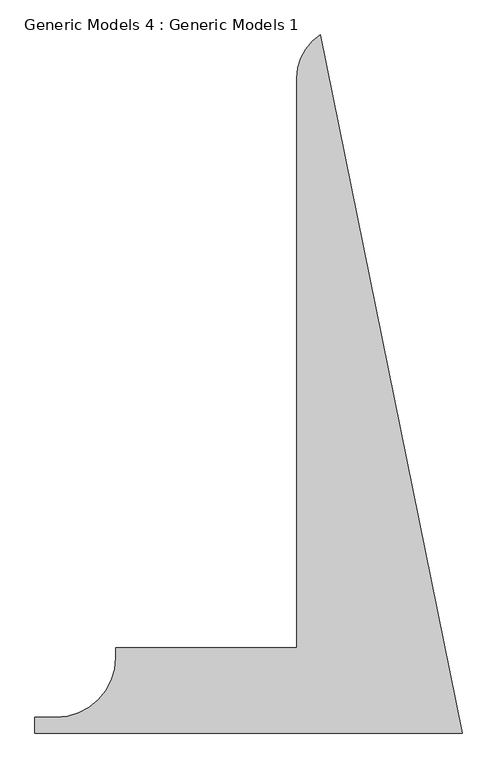
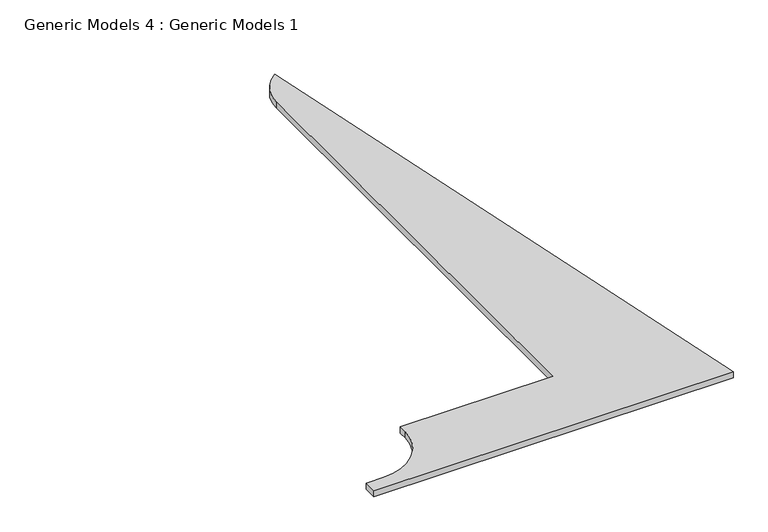
"""IFC4 building model written with IfcOpenShell, lengths in millimetres: proxy geometry, Generic Models 4 : Generic Models 1."""

import ifcopenshell
import ifcopenshell.guid

model = None  # the IFC model being written
_history = None  # IfcOwnerHistory: only IFC2X3 demands one
_inside = {}  # id of a spatial element -> (the spatial element, [elements in it])
_under = {}  # id of a project, library or spatial element -> (it, [spatial elements below it])
_declared = {}  # id of a project -> (the project, [libraries it declares])
_typed = {}  # id of a type object -> (the type object, [elements of that type])
_made_of = {}  # id of a material, layer set ... -> (it, [elements and type objects made of it])


def new_model(schema):
    """Start an empty IFC model of exactly this schema.

    Asked for "IFC4X3", IfcOpenShell would pick the latest addendum, in which some entities
    have other attributes; the version numbers below select the first issue.
    IFC2X3 requires an IfcOwnerHistory on every rooted entity: one is made here for all.
    """
    global model, _history
    if schema == "IFC4X3":
        model = ifcopenshell.file(schema_version=(4, 3, 0, 0))
    else:
        model = ifcopenshell.file(schema=schema)
    _inside.clear()
    _under.clear()
    _declared.clear()
    _typed.clear()
    _made_of.clear()
    _history = None
    if model.schema == "IFC2X3":
        org = make("IfcOrganization", Name="unknown")
        user = make(
            "IfcPersonAndOrganization",
            ThePerson=make("IfcPerson", FamilyName="unknown"),
            TheOrganization=org,
        )
        app = make(
            "IfcApplication",
            ApplicationDeveloper=org,
            Version="unknown",
            ApplicationFullName="unknown",
            ApplicationIdentifier="unknown",
        )
        _history = make(
            "IfcOwnerHistory",
            OwningUser=user,
            OwningApplication=app,
            ChangeAction="ADDED",
            CreationDate=0,
        )
    return model


def make(cls, **values):
    """One entity of the class cls with the attributes given. An attribute that is None is left unset."""
    return model.create_entity(
        cls, **{name: value for name, value in values.items() if value is not None}
    )


def rooted(cls, **values):
    """An entity with a GlobalId (a new one), such as an element, a storey or a relation."""
    return make(cls, GlobalId=ifcopenshell.guid.new(), OwnerHistory=_history, **values)


def si_unit(unit_type, name, prefix=None):
    """IfcSIUnit, for example si_unit("LENGTHUNIT", "METRE", prefix="MILLI")."""
    return make("IfcSIUnit", UnitType=unit_type, Prefix=prefix, Name=name)


def assignment(units):
    """IfcUnitAssignment: the units of a project."""
    return None if units is None else make("IfcUnitAssignment", Units=units)


def point(xyz):
    """IfcCartesianPoint."""
    return None if xyz is None else make("IfcCartesianPoint", Coordinates=xyz)


def direction(xyz):
    """IfcDirection."""
    return None if xyz is None else make("IfcDirection", DirectionRatios=xyz)


def frame(location, z_axis=None, x_axis=None):
    """IfcAxis2Placement3D, a coordinate frame: its origin and axes. An axis left out is left unset."""
    return make(
        "IfcAxis2Placement3D",
        Location=point(location),
        Axis=direction(z_axis),
        RefDirection=direction(x_axis),
    )


def origin():
    """The frame at (0, 0, 0) with its axes left unset."""
    return frame((0.0, 0.0, 0.0))


def place(relative_to, where):
    """IfcLocalPlacement: puts the frame where relative to a parent placement (None: the world)."""
    return make(
        "IfcLocalPlacement", PlacementRelTo=relative_to, RelativePlacement=where
    )


def context(
    kind, dimensions, precision=None, world=None, true_north=None, identifier=None
):
    """IfcGeometricRepresentationContext, for example the 3D "Model" context."""
    return make(
        "IfcGeometricRepresentationContext",
        ContextIdentifier=identifier,
        ContextType=kind,
        CoordinateSpaceDimension=dimensions,
        Precision=precision,
        WorldCoordinateSystem=world,
        TrueNorth=true_north,
    )


def project(units=None, contexts=None):
    """IfcProject with its units and contexts."""
    return rooted(
        "IfcProject",
        Name="project",
        RepresentationContexts=contexts,
        UnitsInContext=assignment(units),
    )


def spatial(cls, under=None, at=None, **own):
    """A site, building, storey or space (cls), placed at a placement, below another one or the project."""
    s = rooted(cls, ObjectPlacement=at, **own)
    if under is not None:
        _under.setdefault(under.id(), (under, []))[1].append(s)
    return s


def polyline(points):
    """IfcPolyline through the points."""
    return make("IfcPolyline", Points=[point(p) for p in points])


def circle_curve(where, radius):
    """IfcCircle in the frame where."""
    return make("IfcCircle", Position=where, Radius=radius)


def shape(context_of_items, identifier, shape_type, items):
    """IfcShapeRepresentation: the items that make up one representation, for example the "Body"."""
    return make(
        "IfcShapeRepresentation",
        ContextOfItems=context_of_items,
        RepresentationIdentifier=identifier,
        RepresentationType=shape_type,
        Items=items,
    )


def source(mapping_origin, context_of_items, identifier, shape_type, items):
    """IfcRepresentationMap: a shape defined once, which mapped items show again and again."""
    return make(
        "IfcRepresentationMap",
        MappingOrigin=mapping_origin,
        MappedRepresentation=shape(context_of_items, identifier, shape_type, items),
    )


def transform(
    local_origin,
    x_axis=None,
    y_axis=None,
    z_axis=None,
    scale=None,
    scale2=None,
    scale3=None,
    uniform=True,
):
    """IfcCartesianTransformationOperator3D, or its non-uniform kind. x_axis, y_axis, z_axis: its Axis1, 2, 3."""
    if uniform:
        return make(
            "IfcCartesianTransformationOperator3D",
            Axis1=direction(x_axis),
            Axis2=direction(y_axis),
            LocalOrigin=point(local_origin),
            Scale=scale,
            Axis3=direction(z_axis),
        )
    return make(
        "IfcCartesianTransformationOperator3DnonUniform",
        Axis1=direction(x_axis),
        Axis2=direction(y_axis),
        LocalOrigin=point(local_origin),
        Scale=scale,
        Axis3=direction(z_axis),
        Scale2=scale2,
        Scale3=scale3,
    )


def mapped(mapping_source, mapping_target):
    """IfcMappedItem: shows the shape of a source again, moved by a transform."""
    return make(
        "IfcMappedItem", MappingSource=mapping_source, MappingTarget=mapping_target
    )


def made_of(thing, what):
    """Note that an element or type object is made of a material, layer set ...; save() writes the relation."""
    if what is not None:
        _made_of.setdefault(what.id(), (what, []))[1].append(thing)
    return thing


def element(
    cls,
    number,
    at=None,
    inside=None,
    cuts=None,
    type_object=None,
    material=None,
    context=None,
    identifier="Body",
    shape_type=None,
    held_by="IfcProductDefinitionShape",
    body=None,
    shapes=None,
    **own,
):
    """One element of the class cls, such as IfcWall. Its Tag is "e" and its number.

    at: its placement. inside: the storey or other place that contains it. cuts: it is an
    opening in that element (IfcRelVoidsElement). A single representation is given by context,
    identifier, shape_type and body (its items); several are given by shapes. held_by: the class
    of the entity that holds the representations. save() writes the other relations.
    """
    e = rooted(cls, Tag="e%d" % number, ObjectPlacement=at, **own)
    if body is not None:
        shapes = [shape(context, identifier, shape_type, body)]
    if shapes is not None:
        e.Representation = make(held_by, Representations=shapes)
    if inside is not None:
        _inside.setdefault(inside.id(), (inside, []))[1].append(e)
    if cuts is not None:
        rooted(
            "IfcRelVoidsElement", RelatingBuildingElement=cuts, RelatedOpeningElement=e
        )
    if type_object is not None:
        _typed.setdefault(type_object.id(), (type_object, []))[1].append(e)
    return made_of(e, material)


def aggregate(whole, parts):
    """IfcRelAggregates: a whole, such as a stair, and the parts it consists of."""
    return rooted("IfcRelAggregates", RelatingObject=whole, RelatedObjects=parts)


def save(model, path):
    """Write the relations noted so far, then the file.

    IfcRelAggregates (storeys below a building ...), IfcRelContainedInSpatialStructure (elements
    in a storey), IfcRelDefinesByType, IfcRelAssociatesMaterial and IfcRelDeclares: one each for
    every whole, place, type object, material and project.
    """
    for whole, parts in _under.values():
        aggregate(whole, parts)
    for where, things in _inside.values():
        rooted(
            "IfcRelContainedInSpatialStructure",
            RelatedElements=things,
            RelatingStructure=where,
        )
    for kind, things in _typed.values():
        rooted("IfcRelDefinesByType", RelatedObjects=things, RelatingType=kind)
    for what, things in _made_of.values():
        rooted("IfcRelAssociatesMaterial", RelatedObjects=things, RelatingMaterial=what)
    for by, libraries in _declared.values():
        rooted("IfcRelDeclares", RelatingContext=by, RelatedDefinitions=libraries)
    model.write(path)


def plane_surface(at):
    """IfcPlane: the flat surface through the origin of the frame at, square to its z axis."""
    return make("IfcPlane", Position=at)


def cylinder_surface(at, radius):
    """IfcCylindricalSurface: all points at the distance radius from the z axis of the frame at."""
    return make("IfcCylindricalSurface", Position=at, Radius=radius)


def revolved_surface(curve, axis_point, axis_direction):
    """IfcSurfaceOfRevolution: the curve turned about the line through axis_point along axis_direction."""
    return make(
        "IfcSurfaceOfRevolution",
        SweptCurve=make("IfcArbitraryOpenProfileDef", ProfileType="CURVE", Curve=curve),
        AxisPosition=make("IfcAxis1Placement", Location=point(axis_point), Axis=direction(axis_direction)),
    )


def advanced_brep(points, edges, surfaces, faces):
    """IfcAdvancedBrep: a solid bounded by faces that lie on surfaces and meet in shared edges.

    An edge is (start, end): straight between two places in points (the first is 0);
    or (start, end, curve); or (start, end, curve, False) where it runs against its curve.
    A face is (place in surfaces, loops), or (place, loops, False) where it looks against
    its surface's normal. A loop lists edges by number (the first is 1), with a minus sign
    where the edge is run from its end to its start. The first loop is the outer one.
    """
    corners = [point(p) for p in points]
    vertices = [make("IfcVertexPoint", VertexGeometry=c) for c in corners]
    made = []
    for start, end, *more in edges:
        made.append(
            make(
                "IfcEdgeCurve",
                EdgeStart=vertices[start],
                EdgeEnd=vertices[end],
                EdgeGeometry=more[0] if more else make("IfcPolyline", Points=[corners[start], corners[end]]),
                SameSense=more[1] if len(more) > 1 else True,
            )
        )
    hull = []
    for where, loops, *sense in faces:
        bounds = []
        for j, loop in enumerate(loops):
            ring = [make("IfcOrientedEdge", EdgeElement=made[abs(k) - 1], Orientation=k > 0) for k in loop]
            bounds.append(
                make(
                    "IfcFaceOuterBound" if j == 0 else "IfcFaceBound",
                    Bound=make("IfcEdgeLoop", EdgeList=ring),
                    Orientation=True,
                )
            )
        hull.append(make("IfcAdvancedFace", Bounds=bounds, FaceSurface=surfaces[where], SameSense=sense[0] if sense else True))
    return make("IfcAdvancedBrep", Outer=make("IfcClosedShell", CfsFaces=hull))


def generic_models_4_generic_models_1_a122a387(model_context):
    return source(origin(), model_context, "Body", "AdvancedBrep", [
        advanced_brep(
        [(113710.941436, -17869.0163215, 67900.0), (113710.941436, -38584.0667044, 67900.0), (113610.941436, -38584.0667044, 67900.0), (107125.1852312, -38584.0667044, 67900.0), (107125.1852312, -38939.4234192, 67900.0), (104950.1852312, -41114.4234192, 67900.0), (104185.8306983, -41114.4234192, 67900.0), (104185.8306983, -41689.4234192, 67900.0), (119716.1516844, -41689.4234192, 67900.0), (114557.131289, -16301.4785447, 67900.0), (113710.941436, -17869.0163215, 67615.9475624), (114557.131289, -16301.4785447, 67615.9475624), (119716.1516844, -41689.4234192, 67615.9475624), (104185.8306983, -41689.4234192, 67615.9475624), (104185.8306983, -41114.4234192, 67615.9475624), (104950.1852312, -41114.4234192, 67615.9475624), (107125.1852312, -38939.4234192, 67615.9475624), (107125.1852312, -38584.0667044, 67615.9475624), (113710.941436, -38584.0667044, 67615.9475624), (107125.1852312, -38584.0667044, 67750.0), (104185.8306983, -41689.4234192, 67750.0), (119716.1516844, -41689.4234192, 67750.0)],
        [
            (0, 1),
            (1, 2),
            (2, 3),
            (3, 4),
            (4, 5, circle_curve(frame((104950.1852312, -38939.4234192, 67900.0), z_axis=(0.0, 0.0, -1.0), x_axis=(1.0, 0.0, 0.0)), 2175.0)),
            (5, 6),
            (6, 7),
            (7, 8),
            (8, 9),
            (9, 0, circle_curve(frame((115585.941436, -17869.0163215, 67900.0), z_axis=(0.0, 0.0, 1.0), x_axis=(1.0, 0.0, 0.0)), 1875.0)),
            (10, 11, circle_curve(frame((115585.941436, -17869.0163215, 67615.9475624), z_axis=(0.0, 0.0, -1.0), x_axis=(1.0, 0.0, 0.0)), 1875.0)),
            (11, 12),
            (12, 13),
            (13, 14),
            (14, 15),
            (15, 16, circle_curve(frame((104950.1852312, -38939.4234192, 67615.9475624), z_axis=(0.0, 0.0, 1.0), x_axis=(1.0, 0.0, 0.0)), 2175.0)),
            (16, 17),
            (17, 18),
            (18, 10),
            (0, 10),
            (18, 1),
            (17, 19),
            (19, 3),
            (16, 4),
            (15, 5),
            (14, 6),
            (13, 20),
            (20, 7),
            (12, 21),
            (21, 8),
            (11, 9),
        ],
        [
            plane_surface(frame((113710.941436, -38584.0667044, 67900.0), z_axis=(0.0, 0.0, 1.0), x_axis=(0.0, -1.0, 0.0))),
            plane_surface(frame((113710.941436, -38584.0667044, 67615.9475624), z_axis=(0.0, 0.0, -1.0), x_axis=(0.0, 1.0, 0.0))),
            plane_surface(frame((113710.941436, -17869.0163215, 67900.0), z_axis=(-1.0, 0.0, 0.0), x_axis=(0.0, 0.0, -1.0))),
            plane_surface(frame((113710.941436, -38584.0667044, 67900.0), z_axis=(0.0, 1.0, 0.0), x_axis=(0.0, 0.0, -1.0))),
            plane_surface(frame((107125.1852312, -38584.0667044, 67900.0), z_axis=(-1.0, 0.0, 0.0), x_axis=(0.0, 0.0, -1.0))),
            revolved_surface(polyline([(107125.1852312, -38939.4234192, 67615.9475624), (107125.1852312, -38939.4234192, 67900.0)]), (104950.1852312, -38939.4234192, 67615.9475624), (0.0, 0.0, -1.0)),
            plane_surface(frame((104950.1852312, -41114.4234192, 67900.0), z_axis=(0.0, 1.0, 0.0), x_axis=(0.0, 0.0, -1.0))),
            plane_surface(frame((104185.8306983, -41114.4234192, 67900.0), z_axis=(-1.0, 0.0, 0.0), x_axis=(0.0, 0.0, -1.0))),
            plane_surface(frame((104185.8306983, -41689.4234192, 67900.0), z_axis=(0.0, -1.0, 0.0), x_axis=(0.0, 0.0, -1.0))),
            plane_surface(frame((119716.1516844, -41689.4234192, 67900.0), z_axis=(0.9799715481621338, 0.19913755244230263, 0.0), x_axis=(0.0, 0.0, -1.0))),
            cylinder_surface(frame((115585.941436, -17869.0163215, 67615.9475624), z_axis=(0.0, 0.0, 1.0), x_axis=(1.0, 0.0, 0.0)), 1875.0),
        ],
        [
            (0, [[1, 2, 3, 4, 5, 6, 7, 8, 9, 10]]),
            (1, [[11, 12, 13, 14, 15, 16, 17, 18, 19]]),
            (2, [[-1, 20, -19, 21]]),
            (3, [[-18, 22, 23, -3, -2, -21]]),
            (4, [[-4, -23, -22, -17, 24]]),
            (5, [[-5, -24, -16, 25]]),
            (6, [[-6, -25, -15, 26]]),
            (7, [[-7, -26, -14, 27, 28]]),
            (8, [[-8, -28, -27, -13, 29, 30]]),
            (9, [[-9, -30, -29, -12, 31]]),
            (10, [[-10, -31, -11, -20]]),
        ],
    ),
    ])


if __name__ == "__main__":
    model = new_model("IFC4")
    model_context = context("Model", 3, world=origin())
    ifc_project = project(units=[si_unit("LENGTHUNIT", "METRE", prefix="MILLI")], contexts=[model_context])
    site = spatial("IfcSite", under=ifc_project)
    building = spatial("IfcBuilding", under=site)
    placement = place(None, origin())
    generic_models_4_generic_models_1_shape = generic_models_4_generic_models_1_a122a387(model_context)
    element("IfcBuildingElementProxy", 1, Name="Generic Models 4 : Generic Models 1", ObjectType="Generic Models 4 : Generic Models 1", at=placement, inside=building, context=model_context, shape_type="MappedRepresentation", body=[
        mapped(generic_models_4_generic_models_1_shape, transform((0.0, 0.0, 0.0), x_axis=(1.0, 0.0, 0.0), y_axis=(0.0, 1.0, 0.0), z_axis=(0.0, 0.0, 1.0))),
    ])
    save(model, "model.ifc")
